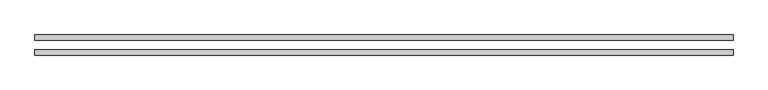
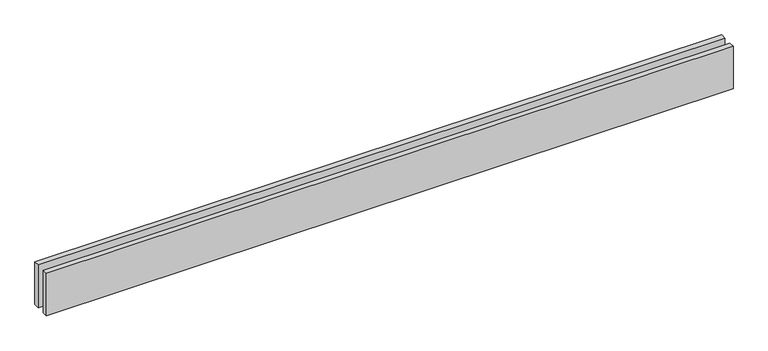
"""IFC4 building model written with IfcOpenShell, lengths in millimetres: proxy geometry."""

from ifc_helpers import new_model, si_unit, origin, origin_with_axes, place, context, project, spatial, polyline, outline, extrude, source, transform, mapped, element, save


def generic_models_f06fc8b3(model_context):
    return source(origin(), model_context, "Body", "SweptSolid", [
        extrude(outline(polyline([(3813.2034356, 25.0), (0.0, 25.0), (0.0, 55.0), (3813.2034356, 55.0), (3813.2034356, 25.0)])), origin_with_axes(), (0.0, 0.0, 1.0), 250.0),
        extrude(outline(polyline([(3813.2034356, -55.0), (0.0, -55.0), (0.0, -25.0), (3813.2034356, -25.0), (3813.2034356, -55.0)])), origin_with_axes(), (0.0, 0.0, 1.0), 250.0),
    ])


if __name__ == "__main__":
    model = new_model("IFC4")
    model_context = context("Model", 3, world=origin())
    ifc_project = project(units=[si_unit("LENGTHUNIT", "METRE", prefix="MILLI")], contexts=[model_context])
    site = spatial("IfcSite", under=ifc_project)
    building = spatial("IfcBuilding", under=site)
    placement = place(None, origin())
    generic_models_shape = generic_models_f06fc8b3(model_context)
    element("IfcBuildingElementProxy", 1, Name="Generic Models", at=placement, inside=building, context=model_context, shape_type="MappedRepresentation", body=[
        mapped(generic_models_shape, transform((0.0, 0.0, 0.0), x_axis=(1.0, 0.0, 0.0), y_axis=(0.0, 1.0, 0.0), z_axis=(0.0, 0.0, 1.0))),
    ])
    save(model, "model.ifc")
